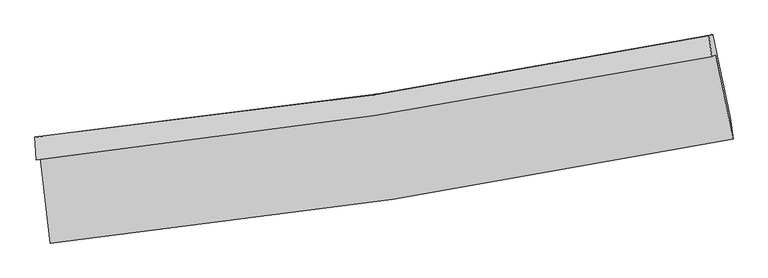
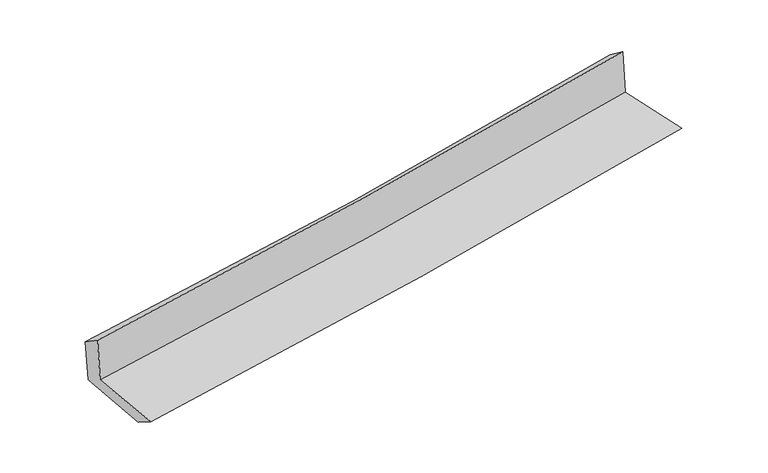
"""IFC4 building model written with IfcOpenShell, lengths in millimetres: proxy geometry."""

import ifcopenshell
import ifcopenshell.guid

model = None  # the IFC model being written
_history = None  # IfcOwnerHistory: only IFC2X3 demands one
_inside = {}  # id of a spatial element -> (the spatial element, [elements in it])
_under = {}  # id of a project, library or spatial element -> (it, [spatial elements below it])
_declared = {}  # id of a project -> (the project, [libraries it declares])
_typed = {}  # id of a type object -> (the type object, [elements of that type])
_made_of = {}  # id of a material, layer set ... -> (it, [elements and type objects made of it])


def new_model(schema):
    """Start an empty IFC model of exactly this schema.

    Asked for "IFC4X3", IfcOpenShell would pick the latest addendum, in which some entities
    have other attributes; the version numbers below select the first issue.
    IFC2X3 requires an IfcOwnerHistory on every rooted entity: one is made here for all.
    """
    global model, _history
    if schema == "IFC4X3":
        model = ifcopenshell.file(schema_version=(4, 3, 0, 0))
    else:
        model = ifcopenshell.file(schema=schema)
    _inside.clear()
    _under.clear()
    _declared.clear()
    _typed.clear()
    _made_of.clear()
    _history = None
    if model.schema == "IFC2X3":
        org = make("IfcOrganization", Name="unknown")
        user = make(
            "IfcPersonAndOrganization",
            ThePerson=make("IfcPerson", FamilyName="unknown"),
            TheOrganization=org,
        )
        app = make(
            "IfcApplication",
            ApplicationDeveloper=org,
            Version="unknown",
            ApplicationFullName="unknown",
            ApplicationIdentifier="unknown",
        )
        _history = make(
            "IfcOwnerHistory",
            OwningUser=user,
            OwningApplication=app,
            ChangeAction="ADDED",
            CreationDate=0,
        )
    return model


def make(cls, **values):
    """One entity of the class cls with the attributes given. An attribute that is None is left unset."""
    return model.create_entity(
        cls, **{name: value for name, value in values.items() if value is not None}
    )


def rooted(cls, **values):
    """An entity with a GlobalId (a new one), such as an element, a storey or a relation."""
    return make(cls, GlobalId=ifcopenshell.guid.new(), OwnerHistory=_history, **values)


def si_unit(unit_type, name, prefix=None):
    """IfcSIUnit, for example si_unit("LENGTHUNIT", "METRE", prefix="MILLI")."""
    return make("IfcSIUnit", UnitType=unit_type, Prefix=prefix, Name=name)


def assignment(units):
    """IfcUnitAssignment: the units of a project."""
    return None if units is None else make("IfcUnitAssignment", Units=units)


def point(xyz):
    """IfcCartesianPoint."""
    return None if xyz is None else make("IfcCartesianPoint", Coordinates=xyz)


def direction(xyz):
    """IfcDirection."""
    return None if xyz is None else make("IfcDirection", DirectionRatios=xyz)


def frame(location, z_axis=None, x_axis=None):
    """IfcAxis2Placement3D, a coordinate frame: its origin and axes. An axis left out is left unset."""
    return make(
        "IfcAxis2Placement3D",
        Location=point(location),
        Axis=direction(z_axis),
        RefDirection=direction(x_axis),
    )


def origin():
    """The frame at (0, 0, 0) with its axes left unset."""
    return frame((0.0, 0.0, 0.0))


def place(relative_to, where):
    """IfcLocalPlacement: puts the frame where relative to a parent placement (None: the world)."""
    return make(
        "IfcLocalPlacement", PlacementRelTo=relative_to, RelativePlacement=where
    )


def context(
    kind, dimensions, precision=None, world=None, true_north=None, identifier=None
):
    """IfcGeometricRepresentationContext, for example the 3D "Model" context."""
    return make(
        "IfcGeometricRepresentationContext",
        ContextIdentifier=identifier,
        ContextType=kind,
        CoordinateSpaceDimension=dimensions,
        Precision=precision,
        WorldCoordinateSystem=world,
        TrueNorth=true_north,
    )


def project(units=None, contexts=None):
    """IfcProject with its units and contexts."""
    return rooted(
        "IfcProject",
        Name="project",
        RepresentationContexts=contexts,
        UnitsInContext=assignment(units),
    )


def spatial(cls, under=None, at=None, **own):
    """A site, building, storey or space (cls), placed at a placement, below another one or the project."""
    s = rooted(cls, ObjectPlacement=at, **own)
    if under is not None:
        _under.setdefault(under.id(), (under, []))[1].append(s)
    return s


def shape(context_of_items, identifier, shape_type, items):
    """IfcShapeRepresentation: the items that make up one representation, for example the "Body"."""
    return make(
        "IfcShapeRepresentation",
        ContextOfItems=context_of_items,
        RepresentationIdentifier=identifier,
        RepresentationType=shape_type,
        Items=items,
    )


def source(mapping_origin, context_of_items, identifier, shape_type, items):
    """IfcRepresentationMap: a shape defined once, which mapped items show again and again."""
    return make(
        "IfcRepresentationMap",
        MappingOrigin=mapping_origin,
        MappedRepresentation=shape(context_of_items, identifier, shape_type, items),
    )


def transform(
    local_origin,
    x_axis=None,
    y_axis=None,
    z_axis=None,
    scale=None,
    scale2=None,
    scale3=None,
    uniform=True,
):
    """IfcCartesianTransformationOperator3D, or its non-uniform kind. x_axis, y_axis, z_axis: its Axis1, 2, 3."""
    if uniform:
        return make(
            "IfcCartesianTransformationOperator3D",
            Axis1=direction(x_axis),
            Axis2=direction(y_axis),
            LocalOrigin=point(local_origin),
            Scale=scale,
            Axis3=direction(z_axis),
        )
    return make(
        "IfcCartesianTransformationOperator3DnonUniform",
        Axis1=direction(x_axis),
        Axis2=direction(y_axis),
        LocalOrigin=point(local_origin),
        Scale=scale,
        Axis3=direction(z_axis),
        Scale2=scale2,
        Scale3=scale3,
    )


def mapped(mapping_source, mapping_target):
    """IfcMappedItem: shows the shape of a source again, moved by a transform."""
    return make(
        "IfcMappedItem", MappingSource=mapping_source, MappingTarget=mapping_target
    )


def made_of(thing, what):
    """Note that an element or type object is made of a material, layer set ...; save() writes the relation."""
    if what is not None:
        _made_of.setdefault(what.id(), (what, []))[1].append(thing)
    return thing


def element(
    cls,
    number,
    at=None,
    inside=None,
    cuts=None,
    type_object=None,
    material=None,
    context=None,
    identifier="Body",
    shape_type=None,
    held_by="IfcProductDefinitionShape",
    body=None,
    shapes=None,
    **own,
):
    """One element of the class cls, such as IfcWall. Its Tag is "e" and its number.

    at: its placement. inside: the storey or other place that contains it. cuts: it is an
    opening in that element (IfcRelVoidsElement). A single representation is given by context,
    identifier, shape_type and body (its items); several are given by shapes. held_by: the class
    of the entity that holds the representations. save() writes the other relations.
    """
    e = rooted(cls, Tag="e%d" % number, ObjectPlacement=at, **own)
    if body is not None:
        shapes = [shape(context, identifier, shape_type, body)]
    if shapes is not None:
        e.Representation = make(held_by, Representations=shapes)
    if inside is not None:
        _inside.setdefault(inside.id(), (inside, []))[1].append(e)
    if cuts is not None:
        rooted(
            "IfcRelVoidsElement", RelatingBuildingElement=cuts, RelatedOpeningElement=e
        )
    if type_object is not None:
        _typed.setdefault(type_object.id(), (type_object, []))[1].append(e)
    return made_of(e, material)


def aggregate(whole, parts):
    """IfcRelAggregates: a whole, such as a stair, and the parts it consists of."""
    return rooted("IfcRelAggregates", RelatingObject=whole, RelatedObjects=parts)


def save(model, path):
    """Write the relations noted so far, then the file.

    IfcRelAggregates (storeys below a building ...), IfcRelContainedInSpatialStructure (elements
    in a storey), IfcRelDefinesByType, IfcRelAssociatesMaterial and IfcRelDeclares: one each for
    every whole, place, type object, material and project.
    """
    for whole, parts in _under.values():
        aggregate(whole, parts)
    for where, things in _inside.values():
        rooted(
            "IfcRelContainedInSpatialStructure",
            RelatedElements=things,
            RelatingStructure=where,
        )
    for kind, things in _typed.values():
        rooted("IfcRelDefinesByType", RelatedObjects=things, RelatingType=kind)
    for what, things in _made_of.values():
        rooted("IfcRelAssociatesMaterial", RelatedObjects=things, RelatingMaterial=what)
    for by, libraries in _declared.values():
        rooted("IfcRelDeclares", RelatingContext=by, RelatedDefinitions=libraries)
    model.write(path)


def plane_surface(at):
    """IfcPlane: the flat surface through the origin of the frame at, square to its z axis."""
    return make("IfcPlane", Position=at)


def spline_curve(degree, points, multiplicities, knots, weights=None):
    """IfcBSplineCurveWithKnots; with weights, IfcRationalBSplineCurveWithKnots."""
    own = dict(
        Degree=degree,
        ControlPointsList=[point(p) for p in points],
        CurveForm="UNSPECIFIED",
        ClosedCurve=False,
        SelfIntersect=False,
        KnotMultiplicities=multiplicities,
        Knots=knots,
        KnotSpec="UNSPECIFIED",
    )
    if weights is None:
        return make("IfcBSplineCurveWithKnots", **own)
    return make("IfcRationalBSplineCurveWithKnots", WeightsData=weights, **own)


def spline_surface(u_degree, v_degree, points, u_multiplicities, v_multiplicities, u_knots, v_knots, weights=None):
    """IfcBSplineSurfaceWithKnots; with weights, IfcRationalBSplineSurfaceWithKnots. points: one row for each step in u."""
    own = dict(
        UDegree=u_degree,
        VDegree=v_degree,
        ControlPointsList=[[point(p) for p in row] for row in points],
        SurfaceForm="UNSPECIFIED",
        UClosed=False,
        VClosed=False,
        SelfIntersect=False,
        UMultiplicities=u_multiplicities,
        VMultiplicities=v_multiplicities,
        UKnots=u_knots,
        VKnots=v_knots,
        KnotSpec="UNSPECIFIED",
    )
    if weights is None:
        return make("IfcBSplineSurfaceWithKnots", **own)
    return make("IfcRationalBSplineSurfaceWithKnots", WeightsData=weights, **own)


def advanced_brep(points, edges, surfaces, faces):
    """IfcAdvancedBrep: a solid bounded by faces that lie on surfaces and meet in shared edges.

    An edge is (start, end): straight between two places in points (the first is 0);
    or (start, end, curve); or (start, end, curve, False) where it runs against its curve.
    A face is (place in surfaces, loops), or (place, loops, False) where it looks against
    its surface's normal. A loop lists edges by number (the first is 1), with a minus sign
    where the edge is run from its end to its start. The first loop is the outer one.
    """
    corners = [point(p) for p in points]
    vertices = [make("IfcVertexPoint", VertexGeometry=c) for c in corners]
    made = []
    for start, end, *more in edges:
        made.append(
            make(
                "IfcEdgeCurve",
                EdgeStart=vertices[start],
                EdgeEnd=vertices[end],
                EdgeGeometry=more[0] if more else make("IfcPolyline", Points=[corners[start], corners[end]]),
                SameSense=more[1] if len(more) > 1 else True,
            )
        )
    hull = []
    for where, loops, *sense in faces:
        bounds = []
        for j, loop in enumerate(loops):
            ring = [make("IfcOrientedEdge", EdgeElement=made[abs(k) - 1], Orientation=k > 0) for k in loop]
            bounds.append(
                make(
                    "IfcFaceOuterBound" if j == 0 else "IfcFaceBound",
                    Bound=make("IfcEdgeLoop", EdgeList=ring),
                    Orientation=True,
                )
            )
        hull.append(make("IfcAdvancedFace", Bounds=bounds, FaceSurface=surfaces[where], SameSense=sense[0] if sense else True))
    return make("IfcAdvancedBrep", Outer=make("IfcClosedShell", CfsFaces=hull))


def generic_models_a563e618(model_context):
    return source(origin(), model_context, "Body", "AdvancedBrep", [
        advanced_brep(
        [(-2628.4675742, -1887.1123638, 1661.2825925), (-2551.4715101, -2547.1060333, 1635.6621055), (2711.5746275, -1743.1493751, 2107.025069), (2579.1296994, -1091.0276753, 2106.3850975), (-2660.2073914, -1903.7794037, 2062.2492931), (2546.8937679, -1107.9552321, 2513.6191731), (-2670.3578155, -1729.3636842, 1947.4393965), (2524.274733, -944.9561961, 2393.7635577), (-2639.1172617, -1723.3539897, 1566.8354608), (2555.5270075, -938.9726239, 2023.1408626), (-2562.6044053, -2366.5487337, 1524.2619118), (2688.6015229, -1577.5133393, 1985.0950327)],
        [
            (0, 1),
            (1, 2, spline_curve(3, [(-2551.4715101, -2547.1060333, 1635.6621055), (-1670.497160058, -2455.152911577, 1729.932683349), (-792.069621, -2342.310377815, 1816.30168958), (962.294248002, -2074.449142458, 1973.46970161), (1838.215421704, -1919.306123493, 2044.221682869), (2711.5746275, -1743.1493751, 2107.025069)], [4, 2, 4], [0.0, 8.710240339472225, 17.446360517044436])),
            (2, 3),
            (3, 0, spline_curve(3, [(2579.1296994, -1091.0276753, 2106.3850975), (1714.927431525, -1261.780695101, 2040.837866667), (848.212392824, -1413.567912618, 1970.910866746), (-887.668230769, -1678.817273695, 1822.517454051), (-1756.818949823, -1792.391618955, 1744.076952542), (-2628.4675742, -1887.1123638, 1661.2825925)], [4, 2, 4], [0.0, 8.73612017757221, 17.446360517044436])),
            (4, 0),
            (3, 5),
            (5, 4, spline_curve(3, [(2546.8937679, -1107.9552321, 2513.6191731), (1682.608445727, -1278.751865104, 2449.121162519), (815.89340686, -1430.539082681, 2379.194162298), (-919.821353845, -1695.701346432, 2228.705417903), (-1788.80670141, -1809.188852879, 2148.175791151), (-2660.2073914, -1903.7794037, 2062.2492931)], [4, 2, 4], [0.0, 8.688114804340529, 17.350491981455225])),
            (6, 4),
            (5, 7),
            (7, 6, spline_curve(3, [(2524.274733, -944.9561961, 2393.7635577), (1663.312729275, -1120.074335421, 2325.276001268), (799.299020732, -1273.064885883, 2253.778912256), (-932.263216149, -1534.403141343, 2104.986387581), (-1799.79369048, -1642.881753488, 2027.708755906), (-2670.3578155, -1729.3636842, 1947.4393965)], [4, 2, 4], [0.0, 8.676653659553466, 17.32760364431828])),
            (8, 6),
            (7, 9),
            (9, 8, spline_curve(3, [(2555.5270075, -938.9726239, 2023.1408626), (1694.569632564, -1114.091592194, 1952.975788017), (830.557255304, -1267.080373079, 1879.806944536), (-901.008908096, -1528.409905887, 1727.687373624), (-1768.544620358, -1636.88158017, 1648.754416253), (-2639.1172617, -1723.3539897, 1566.8354608)], [4, 2, 4], [0.0, 8.665914188101313, 17.30615651596973])),
            (10, 8),
            (9, 11),
            (11, 10, spline_curve(3, [(2688.6015229, -1577.5133393, 1985.0950327), (1818.52636983, -1755.377840587, 1914.064513163), (945.234400185, -1910.126338764, 1840.085158954), (-805.186606803, -2173.001382399, 1686.456673322), (-1682.296613027, -2281.264682158, 1606.824987158), (-2562.6044053, -2366.5487337, 1524.2619118)], [4, 2, 4], [0.0, 8.713414974849174, 17.401017373375737])),
            (1, 10),
            (11, 2),
        ],
        [
            spline_surface(3, 3, [[(-2628.4675742, -1887.1123638, 1661.2825925), (-1756.818949755, -1792.391618887, 1744.07695255), (-887.668230706, -1678.817273598, 1822.517454173), (848.21239276, -1413.567912716, 1970.910866623), (1714.927431556, -1261.780695176, 2040.837866653), (2579.1296994, -1091.0276753, 2106.3850975)], [(-2602.8022195, -2107.110253644, 1652.742430171), (-1728.045019817, -2013.312049757, 1739.362196149), (-855.802027502, -1899.981641656, 1820.445532669), (886.239677871, -1633.861655991, 1971.763811579), (1756.02342829, -1480.955837959, 2041.96580543), (2623.27800877, -1308.40157523, 2106.598421325)], [(-2577.1368648, -2327.108143456, 1644.202267829), (-1699.271089879, -2234.232480596, 1734.647439736), (-823.935824296, -2121.146009694, 1818.373611184), (924.266962984, -1854.155399246, 1972.616756555), (1797.119425013, -1700.130980751, 2043.093744233), (2667.42631813, -1525.77547517, 2106.811745175)], [(-2551.4715101, -2547.1060333, 1635.6621055), (-1670.497159942, -2455.152911466, 1729.932683335), (-792.069621092, -2342.310377751, 1816.30168968), (962.294248095, -2074.449142521, 1973.46970151), (1838.215421748, -1919.306123534, 2044.22168301), (2711.5746275, -1743.1493751, 2107.025069)]], [4, 4], [4, 2, 4], [0.0, 2.199599990102406], [0.0, 8.710240339472225, 17.446360517044436]),
            spline_surface(3, 3, [[(-2660.2073914, -1903.7794037, 2062.2492931), (-1788.806701475, -1809.188852812, 2148.175791132), (-919.821353825, -1695.701346512, 2228.705417781), (815.893406839, -1430.539082601, 2379.194162419), (1682.608445635, -1278.751865061, 2449.121162449), (2546.8937679, -1107.9552321, 2513.6191731)], [(-2649.627452352, -1898.223723723, 1928.593726242), (-1778.144117587, -1803.589774827, 2013.476178281), (-909.103646119, -1690.073322208, 2093.309429934), (826.666402145, -1424.882025974, 2243.09973051), (1693.381440941, -1273.094808434, 2313.026730539), (2557.639078399, -1102.312713168, 2377.874481256)], [(-2639.047513248, -1892.668043777, 1794.938159358), (-1767.481533643, -1797.990696872, 1878.776565402), (-898.385938411, -1684.445297901, 1957.91344202), (837.439397454, -1419.224969343, 2107.005298533), (1704.154436249, -1267.437751803, 2176.932298563), (2568.384388901, -1096.670194232, 2242.129789344)], [(-2628.4675742, -1887.1123638, 1661.2825925), (-1756.818949755, -1792.391618887, 1744.07695255), (-887.668230706, -1678.817273598, 1822.517454173), (848.21239276, -1413.567912716, 1970.910866623), (1714.927431556, -1261.780695176, 2040.837866653), (2579.1296994, -1091.0276753, 2106.3850975)]], [4, 4], [4, 2, 4], [0.0, 1.3414146798171092], [0.0, 8.662377177114696, 17.350491981455225]),
            spline_surface(3, 3, [[(-2670.3578155, -1729.3636842, 1947.4393965), (-1799.79369034, -1642.881753588, 2027.708756035), (-932.263216094, -1534.403141403, 2104.986387493), (799.299020677, -1273.064885823, 2253.778912345), (1663.312729246, -1120.074335321, 2325.276001256), (2524.274733, -944.9561961, 2393.7635577)], [(-2666.974340796, -1787.502257359, 1985.709362026), (-1796.131360715, -1698.317453322, 2067.864434394), (-928.11592867, -1588.169209773, 2146.226064236), (804.830482733, -1325.55628475, 2295.583995684), (1669.744634697, -1172.96684522, 2366.557721625), (2531.814411288, -999.289208086, 2433.715429471)], [(-2663.590866104, -1845.640830541, 2023.979327574), (-1792.469031101, -1753.753153078, 2108.020112773), (-923.96864125, -1641.935278142, 2187.465741038), (810.361944784, -1378.047683675, 2337.389079081), (1676.176540184, -1225.859355162, 2407.83944208), (2539.354089612, -1053.622220114, 2473.667301329)], [(-2660.2073914, -1903.7794037, 2062.2492931), (-1788.806701475, -1809.188852812, 2148.175791132), (-919.821353825, -1695.701346512, 2228.705417781), (815.893406839, -1430.539082601, 2379.194162419), (1682.608445635, -1278.751865061, 2449.121162449), (2546.8937679, -1107.9552321, 2513.6191731)]], [4, 4], [4, 2, 4], [0.0, 0.6653775423357894], [0.0, 8.650949984764814, 17.32760364431828]),
            spline_surface(3, 3, [[(-2639.1172617, -1723.3539897, 1566.8354608), (-1768.544620406, -1636.881580165, 1648.754416362), (-901.008907974, -1528.409905863, 1727.687373614), (830.557255181, -1267.080373103, 1879.806944545), (1694.569632511, -1114.091592122, 1952.975787907), (2555.5270075, -938.9726239, 2023.1408626)], [(-2649.53077963, -1725.35722122, 1693.703439357), (-1778.960977047, -1638.881637993, 1775.072529576), (-911.427010684, -1530.407651021, 1853.453711595), (820.137843677, -1269.075210655, 2004.464267166), (1684.150664784, -1116.085839861, 2077.075859036), (2545.109582694, -940.967147973, 2146.681760979)], [(-2659.94429757, -1727.36045268, 1820.571417943), (-1789.377333699, -1640.88169576, 1901.390642821), (-921.845113384, -1532.405396244, 1979.220049513), (809.718432182, -1271.070048271, 2129.121589724), (1673.731696974, -1118.080087582, 2201.175930127), (2534.692157806, -942.961672027, 2270.222659321)], [(-2670.3578155, -1729.3636842, 1947.4393965), (-1799.79369034, -1642.881753588, 2027.708756035), (-932.263216094, -1534.403141403, 2104.986387493), (799.299020677, -1273.064885823, 2253.778912345), (1663.312729246, -1120.074335321, 2325.276001256), (2524.274733, -944.9561961, 2393.7635577)]], [4, 4], [4, 2, 4], [0.0, 1.2367989054515953], [0.0, 8.640242327868416, 17.30615651596973]),
            spline_surface(3, 3, [[(-2562.6044053, -2366.5487337, 1524.2619118), (-1682.296613133, -2281.264682118, 1606.824987144), (-805.186606717, -2173.001382354, 1686.456673315), (945.234400099, -1910.126338809, 1840.085158961), (1818.526369713, -1755.377840459, 1914.064513091), (2688.6015229, -1577.5133393, 1985.0950327)], [(-2588.108690757, -2152.150485675, 1538.453094803), (-1711.045948882, -2066.470314775, 1620.801463552), (-837.127373818, -1958.137556867, 1700.20024006), (907.008685111, -1695.777683584, 1853.325754134), (1777.207457289, -1541.615757672, 1927.034938026), (2644.243351077, -1364.666434158, 1997.776975996)], [(-2613.612976243, -1937.752237725, 1552.644277797), (-1739.795284658, -1851.675947508, 1634.777939953), (-869.068140873, -1743.27373135, 1713.943806869), (868.782970169, -1481.429028328, 1866.566349372), (1735.888544935, -1327.853674909, 1940.005362972), (2599.885179323, -1151.819529042, 2010.458919304)], [(-2639.1172617, -1723.3539897, 1566.8354608), (-1768.544620406, -1636.881580165, 1648.754416362), (-901.008907974, -1528.409905863, 1727.687373614), (830.557255181, -1267.080373103, 1879.806944545), (1694.569632511, -1114.091592122, 1952.975787907), (2555.5270075, -938.9726239, 2023.1408626)]], [4, 4], [4, 2, 4], [0.0, 2.1444276370830218], [0.0, 8.687602398526563, 17.401017373375737]),
            spline_surface(3, 3, [[(-2551.4715101, -2547.1060333, 1635.6621055), (-1670.497159942, -2455.152911466, 1729.932683335), (-792.069621092, -2342.310377751, 1816.30168968), (962.294248095, -2074.449142521, 1973.46970151), (1838.215421748, -1919.306123534, 2044.22168301), (2711.5746275, -1743.1493751, 2107.025069)], [(-2555.182475165, -2486.920266779, 1598.528707601), (-1674.430311004, -2397.190168362, 1688.896784606), (-796.441949616, -2285.874045956, 1773.020017563), (956.607632114, -2019.674874621, 1929.008187332), (1831.652404407, -1864.663362528, 2000.83595971), (2703.916925971, -1687.937363185, 2066.381723573)], [(-2558.893440235, -2426.734500221, 1561.395309699), (-1678.363462071, -2339.227425222, 1647.860885873), (-800.814278194, -2229.43771415, 1729.738345432), (950.921016079, -1964.90060671, 1884.546673139), (1825.089387054, -1810.020601466, 1957.450236392), (2696.259224429, -1632.725351215, 2025.738378127)], [(-2562.6044053, -2366.5487337, 1524.2619118), (-1682.296613133, -2281.264682118, 1606.824987144), (-805.186606717, -2173.001382354, 1686.456673315), (945.234400099, -1910.126338809, 1840.085158961), (1818.526369713, -1755.377840459, 1914.064513091), (2688.6015229, -1577.5133393, 1985.0950327)]], [4, 4], [4, 2, 4], [0.0, 0.6988785194642536], [0.0, 8.746182780722247, 17.518352191610397]),
            plane_surface(frame((2601.0002264, -1233.9290736, 2188.1714654), z_axis=(0.976384484658881, 0.1983861494289276, 0.08553521983472556), x_axis=(-0.08401462010995703, -0.016085470776335143, 0.9963346833457537))),
            plane_surface(frame((-2618.7043264, -2026.2107014, 1732.9551267), z_axis=(-0.990198287988884, -0.11229439018900235, -0.08305010774203492), x_axis=(-0.11578991163689335, 0.9925261709100227, 0.03852916326380454))),
        ],
        [
            (0, [[1, 2, 3, 4]]),
            (1, [[5, -4, 6, 7]]),
            (2, [[8, -7, 9, 10]]),
            (3, [[11, -10, 12, 13]]),
            (4, [[14, -13, 15, 16]]),
            (5, [[17, -16, 18, -2]]),
            (6, [[-12, -9, -6, -3, -18, -15]]),
            (7, [[-1, -5, -8, -11, -14, -17]]),
        ],
    ),
    ])


if __name__ == "__main__":
    model = new_model("IFC4")
    model_context = context("Model", 3, world=origin())
    ifc_project = project(units=[si_unit("LENGTHUNIT", "METRE", prefix="MILLI")], contexts=[model_context])
    site = spatial("IfcSite", under=ifc_project)
    building = spatial("IfcBuilding", under=site)
    placement = place(None, origin())
    generic_models_shape = generic_models_a563e618(model_context)
    element("IfcBuildingElementProxy", 1, Name="Generic Models", at=placement, inside=building, context=model_context, shape_type="MappedRepresentation", body=[
        mapped(generic_models_shape, transform((0.0, 0.0, 0.0), x_axis=(1.0, 0.0, 0.0), y_axis=(0.0, 1.0, 0.0), z_axis=(0.0, 0.0, 1.0))),
    ])
    save(model, "model.ifc")
